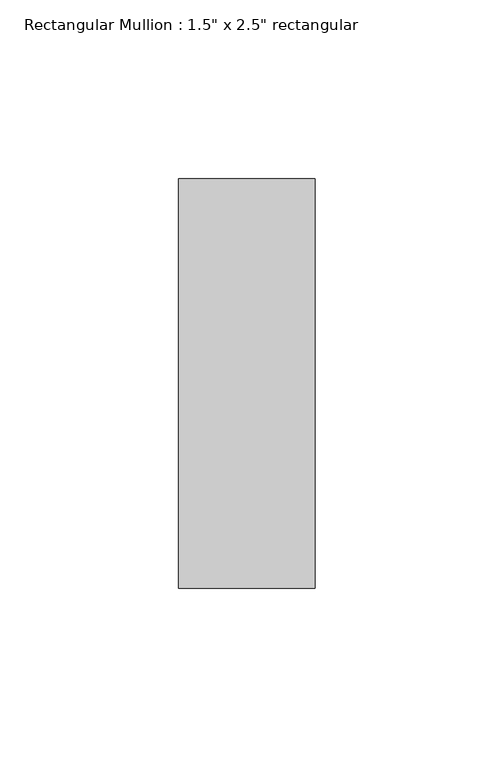
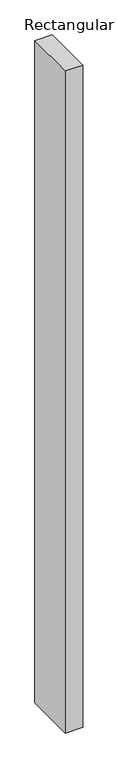
"""IFC4 building model written with IfcOpenShell, lengths in millimetres: member geometry."""

import ifcopenshell
import ifcopenshell.guid

model = None  # the IFC model being written
_history = None  # IfcOwnerHistory: only IFC2X3 demands one
_inside = {}  # id of a spatial element -> (the spatial element, [elements in it])
_under = {}  # id of a project, library or spatial element -> (it, [spatial elements below it])
_declared = {}  # id of a project -> (the project, [libraries it declares])
_typed = {}  # id of a type object -> (the type object, [elements of that type])
_made_of = {}  # id of a material, layer set ... -> (it, [elements and type objects made of it])


def new_model(schema):
    """Start an empty IFC model of exactly this schema.

    Asked for "IFC4X3", IfcOpenShell would pick the latest addendum, in which some entities
    have other attributes; the version numbers below select the first issue.
    IFC2X3 requires an IfcOwnerHistory on every rooted entity: one is made here for all.
    """
    global model, _history
    if schema == "IFC4X3":
        model = ifcopenshell.file(schema_version=(4, 3, 0, 0))
    else:
        model = ifcopenshell.file(schema=schema)
    _inside.clear()
    _under.clear()
    _declared.clear()
    _typed.clear()
    _made_of.clear()
    _history = None
    if model.schema == "IFC2X3":
        org = make("IfcOrganization", Name="unknown")
        user = make(
            "IfcPersonAndOrganization",
            ThePerson=make("IfcPerson", FamilyName="unknown"),
            TheOrganization=org,
        )
        app = make(
            "IfcApplication",
            ApplicationDeveloper=org,
            Version="unknown",
            ApplicationFullName="unknown",
            ApplicationIdentifier="unknown",
        )
        _history = make(
            "IfcOwnerHistory",
            OwningUser=user,
            OwningApplication=app,
            ChangeAction="ADDED",
            CreationDate=0,
        )
    return model


def make(cls, **values):
    """One entity of the class cls with the attributes given. An attribute that is None is left unset."""
    return model.create_entity(
        cls, **{name: value for name, value in values.items() if value is not None}
    )


def rooted(cls, **values):
    """An entity with a GlobalId (a new one), such as an element, a storey or a relation."""
    return make(cls, GlobalId=ifcopenshell.guid.new(), OwnerHistory=_history, **values)


def si_unit(unit_type, name, prefix=None):
    """IfcSIUnit, for example si_unit("LENGTHUNIT", "METRE", prefix="MILLI")."""
    return make("IfcSIUnit", UnitType=unit_type, Prefix=prefix, Name=name)


def assignment(units):
    """IfcUnitAssignment: the units of a project."""
    return None if units is None else make("IfcUnitAssignment", Units=units)


def point(xyz):
    """IfcCartesianPoint."""
    return None if xyz is None else make("IfcCartesianPoint", Coordinates=xyz)


def direction(xyz):
    """IfcDirection."""
    return None if xyz is None else make("IfcDirection", DirectionRatios=xyz)


def frame(location, z_axis=None, x_axis=None):
    """IfcAxis2Placement3D, a coordinate frame: its origin and axes. An axis left out is left unset."""
    return make(
        "IfcAxis2Placement3D",
        Location=point(location),
        Axis=direction(z_axis),
        RefDirection=direction(x_axis),
    )


def origin():
    """The frame at (0, 0, 0) with its axes left unset."""
    return frame((0.0, 0.0, 0.0))


def place(relative_to, where):
    """IfcLocalPlacement: puts the frame where relative to a parent placement (None: the world)."""
    return make(
        "IfcLocalPlacement", PlacementRelTo=relative_to, RelativePlacement=where
    )


def context(
    kind, dimensions, precision=None, world=None, true_north=None, identifier=None
):
    """IfcGeometricRepresentationContext, for example the 3D "Model" context."""
    return make(
        "IfcGeometricRepresentationContext",
        ContextIdentifier=identifier,
        ContextType=kind,
        CoordinateSpaceDimension=dimensions,
        Precision=precision,
        WorldCoordinateSystem=world,
        TrueNorth=true_north,
    )


def project(units=None, contexts=None):
    """IfcProject with its units and contexts."""
    return rooted(
        "IfcProject",
        Name="project",
        RepresentationContexts=contexts,
        UnitsInContext=assignment(units),
    )


def spatial(cls, under=None, at=None, **own):
    """A site, building, storey or space (cls), placed at a placement, below another one or the project."""
    s = rooted(cls, ObjectPlacement=at, **own)
    if under is not None:
        _under.setdefault(under.id(), (under, []))[1].append(s)
    return s


def polyline(points):
    """IfcPolyline through the points."""
    return make("IfcPolyline", Points=[point(p) for p in points])


def outline(outer, holes=None, kind="AREA"):
    """IfcArbitraryClosedProfileDef: a profile drawn as a closed curve; with holes, ...WithVoids."""
    if holes is None:
        return make("IfcArbitraryClosedProfileDef", ProfileType=kind, OuterCurve=outer)
    return make(
        "IfcArbitraryProfileDefWithVoids",
        ProfileType=kind,
        OuterCurve=outer,
        InnerCurves=holes,
    )


def extrude(swept, where, along, depth):
    """IfcExtrudedAreaSolid: the profile swept, set in the frame where, extruded along a direction by depth."""
    return make(
        "IfcExtrudedAreaSolid",
        SweptArea=swept,
        Position=where,
        ExtrudedDirection=direction(along),
        Depth=depth,
    )


def shape(context_of_items, identifier, shape_type, items):
    """IfcShapeRepresentation: the items that make up one representation, for example the "Body"."""
    return make(
        "IfcShapeRepresentation",
        ContextOfItems=context_of_items,
        RepresentationIdentifier=identifier,
        RepresentationType=shape_type,
        Items=items,
    )


def source(mapping_origin, context_of_items, identifier, shape_type, items):
    """IfcRepresentationMap: a shape defined once, which mapped items show again and again."""
    return make(
        "IfcRepresentationMap",
        MappingOrigin=mapping_origin,
        MappedRepresentation=shape(context_of_items, identifier, shape_type, items),
    )


def transform(
    local_origin,
    x_axis=None,
    y_axis=None,
    z_axis=None,
    scale=None,
    scale2=None,
    scale3=None,
    uniform=True,
):
    """IfcCartesianTransformationOperator3D, or its non-uniform kind. x_axis, y_axis, z_axis: its Axis1, 2, 3."""
    if uniform:
        return make(
            "IfcCartesianTransformationOperator3D",
            Axis1=direction(x_axis),
            Axis2=direction(y_axis),
            LocalOrigin=point(local_origin),
            Scale=scale,
            Axis3=direction(z_axis),
        )
    return make(
        "IfcCartesianTransformationOperator3DnonUniform",
        Axis1=direction(x_axis),
        Axis2=direction(y_axis),
        LocalOrigin=point(local_origin),
        Scale=scale,
        Axis3=direction(z_axis),
        Scale2=scale2,
        Scale3=scale3,
    )


def mapped(mapping_source, mapping_target):
    """IfcMappedItem: shows the shape of a source again, moved by a transform."""
    return make(
        "IfcMappedItem", MappingSource=mapping_source, MappingTarget=mapping_target
    )


def made_of(thing, what):
    """Note that an element or type object is made of a material, layer set ...; save() writes the relation."""
    if what is not None:
        _made_of.setdefault(what.id(), (what, []))[1].append(thing)
    return thing


def element(
    cls,
    number,
    at=None,
    inside=None,
    cuts=None,
    type_object=None,
    material=None,
    context=None,
    identifier="Body",
    shape_type=None,
    held_by="IfcProductDefinitionShape",
    body=None,
    shapes=None,
    **own,
):
    """One element of the class cls, such as IfcWall. Its Tag is "e" and its number.

    at: its placement. inside: the storey or other place that contains it. cuts: it is an
    opening in that element (IfcRelVoidsElement). A single representation is given by context,
    identifier, shape_type and body (its items); several are given by shapes. held_by: the class
    of the entity that holds the representations. save() writes the other relations.
    """
    e = rooted(cls, Tag="e%d" % number, ObjectPlacement=at, **own)
    if body is not None:
        shapes = [shape(context, identifier, shape_type, body)]
    if shapes is not None:
        e.Representation = make(held_by, Representations=shapes)
    if inside is not None:
        _inside.setdefault(inside.id(), (inside, []))[1].append(e)
    if cuts is not None:
        rooted(
            "IfcRelVoidsElement", RelatingBuildingElement=cuts, RelatedOpeningElement=e
        )
    if type_object is not None:
        _typed.setdefault(type_object.id(), (type_object, []))[1].append(e)
    return made_of(e, material)


def aggregate(whole, parts):
    """IfcRelAggregates: a whole, such as a stair, and the parts it consists of."""
    return rooted("IfcRelAggregates", RelatingObject=whole, RelatedObjects=parts)


def save(model, path):
    """Write the relations noted so far, then the file.

    IfcRelAggregates (storeys below a building ...), IfcRelContainedInSpatialStructure (elements
    in a storey), IfcRelDefinesByType, IfcRelAssociatesMaterial and IfcRelDeclares: one each for
    every whole, place, type object, material and project.
    """
    for whole, parts in _under.values():
        aggregate(whole, parts)
    for where, things in _inside.values():
        rooted(
            "IfcRelContainedInSpatialStructure",
            RelatedElements=things,
            RelatingStructure=where,
        )
    for kind, things in _typed.values():
        rooted("IfcRelDefinesByType", RelatedObjects=things, RelatingType=kind)
    for what, things in _made_of.values():
        rooted("IfcRelAssociatesMaterial", RelatedObjects=things, RelatingMaterial=what)
    for by, libraries in _declared.values():
        rooted("IfcRelDeclares", RelatingContext=by, RelatedDefinitions=libraries)
    model.write(path)


def member_2564d574(model_context):
    return source(origin(), model_context, "Body", "SweptSolid", [
        extrude(outline(polyline([(19.05, 57.15), (19.05, -57.15), (-19.05, -57.15), (-19.05, 57.15), (19.05, 57.15)])), frame((0.0, 0.0, -1524.0), z_axis=(0.0, 0.0, 1.0), x_axis=(1.0, 0.0, 0.0)), (0.0, 0.0, 1.0), 1524.0),
    ])


if __name__ == "__main__":
    model = new_model("IFC4")
    model_context = context("Model", 3, world=origin())
    ifc_project = project(units=[si_unit("LENGTHUNIT", "METRE", prefix="MILLI")], contexts=[model_context])
    site = spatial("IfcSite", under=ifc_project)
    building = spatial("IfcBuilding", under=site)
    placement = place(None, origin())
    member_shape = member_2564d574(model_context)
    element("IfcMember", 1, ObjectType="Rectangular Mullion : 1.5\" x 2.5\" rectangular", at=placement, inside=building, context=model_context, shape_type="MappedRepresentation", body=[
        mapped(member_shape, transform((0.0, 0.0, 0.0), x_axis=(1.0, 0.0, 0.0), y_axis=(0.0, 1.0, 0.0), z_axis=(0.0, 0.0, 1.0))),
    ])
    save(model, "model.ifc")
